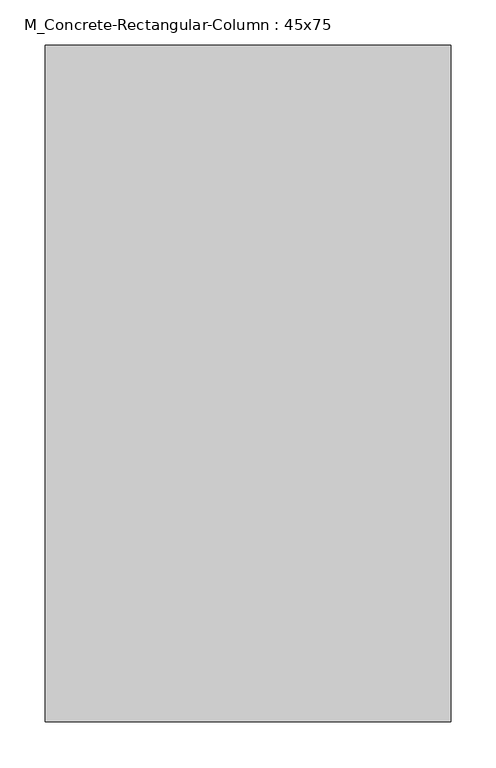
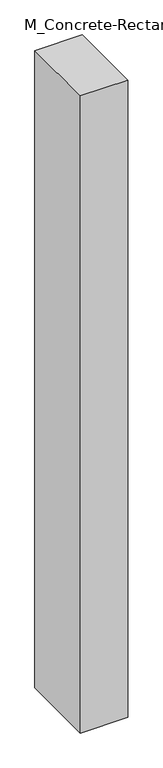
"""IFC4 building model written with IfcOpenShell, lengths in millimetres: column geometry, M_Concrete-Rectangular-Column : 45x75."""

from ifc_helpers import new_model, si_unit, frame, origin, place, context, project, spatial, polyline, outline, extrude, source, transform, mapped, element, save


def m_concrete_rectangular_column_45x75_7d2b7284(model_context):
    return source(origin(), model_context, "Body", "SweptSolid", [
        extrude(outline(polyline([(225.0, 375.0), (225.0, -375.0), (-225.0, -375.0), (-225.0, 375.0), (225.0, 375.0)])), frame((0.0, 0.0, -6400.0), z_axis=(0.0, 0.0, 1.0), x_axis=(1.0, 0.0, 0.0)), (0.0, 0.0, 1.0), 6400.0),
    ])


if __name__ == "__main__":
    model = new_model("IFC4")
    model_context = context("Model", 3, world=origin())
    ifc_project = project(units=[si_unit("LENGTHUNIT", "METRE", prefix="MILLI")], contexts=[model_context])
    site = spatial("IfcSite", under=ifc_project)
    building = spatial("IfcBuilding", under=site)
    placement = place(None, origin())
    m_concrete_rectangular_column_45x75_shape = m_concrete_rectangular_column_45x75_7d2b7284(model_context)
    element("IfcColumn", 1, ObjectType="M_Concrete-Rectangular-Column : 45x75", at=placement, inside=building, context=model_context, shape_type="MappedRepresentation", body=[
        mapped(m_concrete_rectangular_column_45x75_shape, transform((0.0, 0.0, 0.0), x_axis=(1.0, 0.0, 0.0), y_axis=(0.0, 1.0, 0.0), z_axis=(0.0, 0.0, 1.0))),
    ])
    save(model, "model.ifc")
